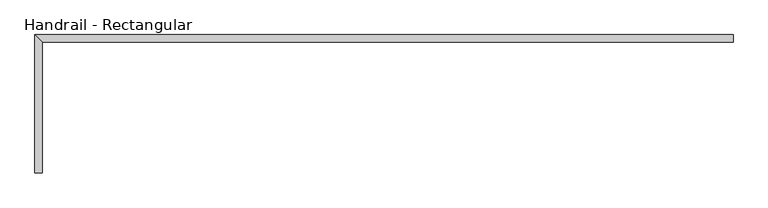
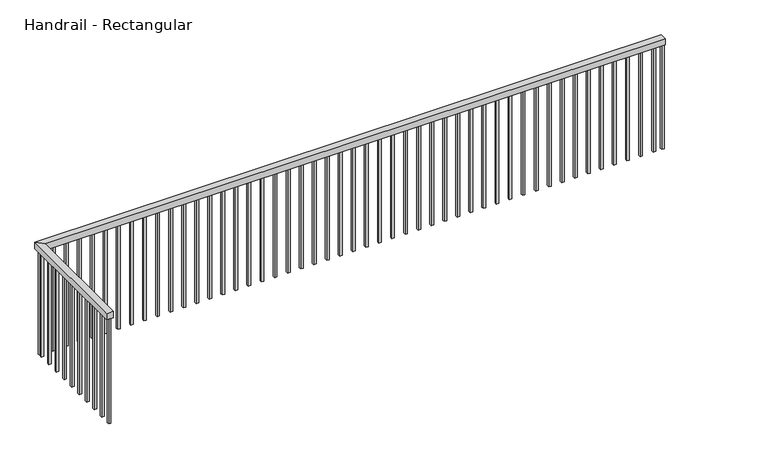
"""IFC4 building model written with IfcOpenShell, lengths in millimetres: railing geometry, Handrail - Rectangular."""

from ifc_helpers import new_model, si_unit, frame, origin, place, context, project, spatial, polyline, outline, extrude, faceted_brep, source, transform, mapped, element, save


def handrail_rectangular_c6c42858(model_context):
    return source(origin(), model_context, "Body", "SolidModel", [
        faceted_brep([(-15291.1582108, 4331.3192106, 3962.4), (-15341.9582108, 4331.3192106, 3962.4), (-15341.9582108, 4331.3192106, 3911.6), (-15291.1582108, 4331.3192106, 3911.6), (-15291.1582108, 5245.7192106, 3962.4), (-15341.9582108, 5296.5192106, 3962.4), (-15341.9582108, 5296.5192106, 3911.6), (-15291.1582108, 5245.7192106, 3911.6), (-10465.1582108, 5245.7192106, 3962.4), (-10465.1582108, 5245.7192106, 3911.6), (-10465.1582108, 5296.5192106, 3911.6), (-10465.1582108, 5296.5192106, 3962.4)], [[[0, 1, 2, 3]], [[1, 0, 4, 5]], [[2, 1, 5, 6]], [[3, 2, 6, 7]], [[0, 3, 7, 4]], [[8, 9, 10, 11]], [[5, 4, 8, 11]], [[6, 5, 11, 10]], [[7, 6, 10, 9]], [[4, 7, 9, 8]]]),
        extrude(outline(polyline([(-10550.8832108, 5261.5942106), (-10550.8832108, 5280.6442106), (-10531.8332108, 5280.6442106), (-10531.8332108, 5261.5942106), (-10550.8832108, 5261.5942106)])), frame((0.0, 0.0, 3048.0), z_axis=(0.0, 0.0, 1.0), x_axis=(1.0, 0.0, 0.0)), (0.0, 0.0, 1.0), 863.6),
        extrude(outline(polyline([(-10652.4832108, 5261.5942106), (-10652.4832108, 5280.6442106), (-10633.4332108, 5280.6442106), (-10633.4332108, 5261.5942106), (-10652.4832108, 5261.5942106)])), frame((0.0, 0.0, 3048.0), z_axis=(0.0, 0.0, 1.0), x_axis=(1.0, 0.0, 0.0)), (0.0, 0.0, 1.0), 863.6),
        extrude(outline(polyline([(-10754.0832108, 5261.5942106), (-10754.0832108, 5280.6442106), (-10735.0332108, 5280.6442106), (-10735.0332108, 5261.5942106), (-10754.0832108, 5261.5942106)])), frame((0.0, 0.0, 3048.0), z_axis=(0.0, 0.0, 1.0), x_axis=(1.0, 0.0, 0.0)), (0.0, 0.0, 1.0), 863.6),
        extrude(outline(polyline([(-10855.6832108, 5261.5942106), (-10855.6832108, 5280.6442106), (-10836.6332108, 5280.6442106), (-10836.6332108, 5261.5942106), (-10855.6832108, 5261.5942106)])), frame((0.0, 0.0, 3048.0), z_axis=(0.0, 0.0, 1.0), x_axis=(1.0, 0.0, 0.0)), (0.0, 0.0, 1.0), 863.6),
        extrude(outline(polyline([(-10957.2832108, 5261.5942106), (-10957.2832108, 5280.6442106), (-10938.2332108, 5280.6442106), (-10938.2332108, 5261.5942106), (-10957.2832108, 5261.5942106)])), frame((0.0, 0.0, 3048.0), z_axis=(0.0, 0.0, 1.0), x_axis=(1.0, 0.0, 0.0)), (0.0, 0.0, 1.0), 863.6),
        extrude(outline(polyline([(-11058.8832108, 5261.5942106), (-11058.8832108, 5280.6442106), (-11039.8332108, 5280.6442106), (-11039.8332108, 5261.5942106), (-11058.8832108, 5261.5942106)])), frame((0.0, 0.0, 3048.0), z_axis=(0.0, 0.0, 1.0), x_axis=(1.0, 0.0, 0.0)), (0.0, 0.0, 1.0), 863.6),
        extrude(outline(polyline([(-11160.4832108, 5261.5942106), (-11160.4832108, 5280.6442106), (-11141.4332108, 5280.6442106), (-11141.4332108, 5261.5942106), (-11160.4832108, 5261.5942106)])), frame((0.0, 0.0, 3048.0), z_axis=(0.0, 0.0, 1.0), x_axis=(1.0, 0.0, 0.0)), (0.0, 0.0, 1.0), 863.6),
        extrude(outline(polyline([(-11262.0832108, 5261.5942106), (-11262.0832108, 5280.6442106), (-11243.0332108, 5280.6442106), (-11243.0332108, 5261.5942106), (-11262.0832108, 5261.5942106)])), frame((0.0, 0.0, 3048.0), z_axis=(0.0, 0.0, 1.0), x_axis=(1.0, 0.0, 0.0)), (0.0, 0.0, 1.0), 863.6),
        extrude(outline(polyline([(-11363.6832108, 5261.5942106), (-11363.6832108, 5280.6442106), (-11344.6332108, 5280.6442106), (-11344.6332108, 5261.5942106), (-11363.6832108, 5261.5942106)])), frame((0.0, 0.0, 3048.0), z_axis=(0.0, 0.0, 1.0), x_axis=(1.0, 0.0, 0.0)), (0.0, 0.0, 1.0), 863.6),
        extrude(outline(polyline([(-11465.2832108, 5261.5942106), (-11465.2832108, 5280.6442106), (-11446.2332108, 5280.6442106), (-11446.2332108, 5261.5942106), (-11465.2832108, 5261.5942106)])), frame((0.0, 0.0, 3048.0), z_axis=(0.0, 0.0, 1.0), x_axis=(1.0, 0.0, 0.0)), (0.0, 0.0, 1.0), 863.6),
        extrude(outline(polyline([(-11566.8832108, 5261.5942106), (-11566.8832108, 5280.6442106), (-11547.8332108, 5280.6442106), (-11547.8332108, 5261.5942106), (-11566.8832108, 5261.5942106)])), frame((0.0, 0.0, 3048.0), z_axis=(0.0, 0.0, 1.0), x_axis=(1.0, 0.0, 0.0)), (0.0, 0.0, 1.0), 863.6),
        extrude(outline(polyline([(-11668.4832108, 5261.5942106), (-11668.4832108, 5280.6442106), (-11649.4332108, 5280.6442106), (-11649.4332108, 5261.5942106), (-11668.4832108, 5261.5942106)])), frame((0.0, 0.0, 3048.0), z_axis=(0.0, 0.0, 1.0), x_axis=(1.0, 0.0, 0.0)), (0.0, 0.0, 1.0), 863.6),
        extrude(outline(polyline([(-11770.0832108, 5261.5942106), (-11770.0832108, 5280.6442106), (-11751.0332108, 5280.6442106), (-11751.0332108, 5261.5942106), (-11770.0832108, 5261.5942106)])), frame((0.0, 0.0, 3048.0), z_axis=(0.0, 0.0, 1.0), x_axis=(1.0, 0.0, 0.0)), (0.0, 0.0, 1.0), 863.6),
        extrude(outline(polyline([(-11871.6832108, 5261.5942106), (-11871.6832108, 5280.6442106), (-11852.6332108, 5280.6442106), (-11852.6332108, 5261.5942106), (-11871.6832108, 5261.5942106)])), frame((0.0, 0.0, 3048.0), z_axis=(0.0, 0.0, 1.0), x_axis=(1.0, 0.0, 0.0)), (0.0, 0.0, 1.0), 863.6),
        extrude(outline(polyline([(-11973.2832108, 5261.5942106), (-11973.2832108, 5280.6442106), (-11954.2332108, 5280.6442106), (-11954.2332108, 5261.5942106), (-11973.2832108, 5261.5942106)])), frame((0.0, 0.0, 3048.0), z_axis=(0.0, 0.0, 1.0), x_axis=(1.0, 0.0, 0.0)), (0.0, 0.0, 1.0), 863.6),
        extrude(outline(polyline([(-12074.8832108, 5261.5942106), (-12074.8832108, 5280.6442106), (-12055.8332108, 5280.6442106), (-12055.8332108, 5261.5942106), (-12074.8832108, 5261.5942106)])), frame((0.0, 0.0, 3048.0), z_axis=(0.0, 0.0, 1.0), x_axis=(1.0, 0.0, 0.0)), (0.0, 0.0, 1.0), 863.6),
        extrude(outline(polyline([(-12176.4832108, 5261.5942106), (-12176.4832108, 5280.6442106), (-12157.4332108, 5280.6442106), (-12157.4332108, 5261.5942106), (-12176.4832108, 5261.5942106)])), frame((0.0, 0.0, 3048.0), z_axis=(0.0, 0.0, 1.0), x_axis=(1.0, 0.0, 0.0)), (0.0, 0.0, 1.0), 863.6),
        extrude(outline(polyline([(-12278.0832108, 5261.5942106), (-12278.0832108, 5280.6442106), (-12259.0332108, 5280.6442106), (-12259.0332108, 5261.5942106), (-12278.0832108, 5261.5942106)])), frame((0.0, 0.0, 3048.0), z_axis=(0.0, 0.0, 1.0), x_axis=(1.0, 0.0, 0.0)), (0.0, 0.0, 1.0), 863.6),
        extrude(outline(polyline([(-12379.6832108, 5261.5942106), (-12379.6832108, 5280.6442106), (-12360.6332108, 5280.6442106), (-12360.6332108, 5261.5942106), (-12379.6832108, 5261.5942106)])), frame((0.0, 0.0, 3048.0), z_axis=(0.0, 0.0, 1.0), x_axis=(1.0, 0.0, 0.0)), (0.0, 0.0, 1.0), 863.6),
        extrude(outline(polyline([(-12481.2832108, 5261.5942106), (-12481.2832108, 5280.6442106), (-12462.2332108, 5280.6442106), (-12462.2332108, 5261.5942106), (-12481.2832108, 5261.5942106)])), frame((0.0, 0.0, 3048.0), z_axis=(0.0, 0.0, 1.0), x_axis=(1.0, 0.0, 0.0)), (0.0, 0.0, 1.0), 863.6),
        extrude(outline(polyline([(-12582.8832108, 5261.5942106), (-12582.8832108, 5280.6442106), (-12563.8332108, 5280.6442106), (-12563.8332108, 5261.5942106), (-12582.8832108, 5261.5942106)])), frame((0.0, 0.0, 3048.0), z_axis=(0.0, 0.0, 1.0), x_axis=(1.0, 0.0, 0.0)), (0.0, 0.0, 1.0), 863.6),
        extrude(outline(polyline([(-12684.4832108, 5261.5942106), (-12684.4832108, 5280.6442106), (-12665.4332108, 5280.6442106), (-12665.4332108, 5261.5942106), (-12684.4832108, 5261.5942106)])), frame((0.0, 0.0, 3048.0), z_axis=(0.0, 0.0, 1.0), x_axis=(1.0, 0.0, 0.0)), (0.0, 0.0, 1.0), 863.6),
        extrude(outline(polyline([(-12786.0832108, 5261.5942106), (-12786.0832108, 5280.6442106), (-12767.0332108, 5280.6442106), (-12767.0332108, 5261.5942106), (-12786.0832108, 5261.5942106)])), frame((0.0, 0.0, 3048.0), z_axis=(0.0, 0.0, 1.0), x_axis=(1.0, 0.0, 0.0)), (0.0, 0.0, 1.0), 863.6),
        extrude(outline(polyline([(-12887.6832108, 5261.5942106), (-12887.6832108, 5280.6442106), (-12868.6332108, 5280.6442106), (-12868.6332108, 5261.5942106), (-12887.6832108, 5261.5942106)])), frame((0.0, 0.0, 3048.0), z_axis=(0.0, 0.0, 1.0), x_axis=(1.0, 0.0, 0.0)), (0.0, 0.0, 1.0), 863.6),
        extrude(outline(polyline([(-12989.2832108, 5261.5942106), (-12989.2832108, 5280.6442106), (-12970.2332108, 5280.6442106), (-12970.2332108, 5261.5942106), (-12989.2832108, 5261.5942106)])), frame((0.0, 0.0, 3048.0), z_axis=(0.0, 0.0, 1.0), x_axis=(1.0, 0.0, 0.0)), (0.0, 0.0, 1.0), 863.6),
        extrude(outline(polyline([(-13090.8832108, 5261.5942106), (-13090.8832108, 5280.6442106), (-13071.8332108, 5280.6442106), (-13071.8332108, 5261.5942106), (-13090.8832108, 5261.5942106)])), frame((0.0, 0.0, 3048.0), z_axis=(0.0, 0.0, 1.0), x_axis=(1.0, 0.0, 0.0)), (0.0, 0.0, 1.0), 863.6),
        extrude(outline(polyline([(-13192.4832108, 5261.5942106), (-13192.4832108, 5280.6442106), (-13173.4332108, 5280.6442106), (-13173.4332108, 5261.5942106), (-13192.4832108, 5261.5942106)])), frame((0.0, 0.0, 3048.0), z_axis=(0.0, 0.0, 1.0), x_axis=(1.0, 0.0, 0.0)), (0.0, 0.0, 1.0), 863.6),
        extrude(outline(polyline([(-13294.0832108, 5261.5942106), (-13294.0832108, 5280.6442106), (-13275.0332108, 5280.6442106), (-13275.0332108, 5261.5942106), (-13294.0832108, 5261.5942106)])), frame((0.0, 0.0, 3048.0), z_axis=(0.0, 0.0, 1.0), x_axis=(1.0, 0.0, 0.0)), (0.0, 0.0, 1.0), 863.6),
        extrude(outline(polyline([(-13395.6832108, 5261.5942106), (-13395.6832108, 5280.6442106), (-13376.6332108, 5280.6442106), (-13376.6332108, 5261.5942106), (-13395.6832108, 5261.5942106)])), frame((0.0, 0.0, 3048.0), z_axis=(0.0, 0.0, 1.0), x_axis=(1.0, 0.0, 0.0)), (0.0, 0.0, 1.0), 863.6),
        extrude(outline(polyline([(-13497.2832108, 5261.5942106), (-13497.2832108, 5280.6442106), (-13478.2332108, 5280.6442106), (-13478.2332108, 5261.5942106), (-13497.2832108, 5261.5942106)])), frame((0.0, 0.0, 3048.0), z_axis=(0.0, 0.0, 1.0), x_axis=(1.0, 0.0, 0.0)), (0.0, 0.0, 1.0), 863.6),
        extrude(outline(polyline([(-13598.8832108, 5261.5942106), (-13598.8832108, 5280.6442106), (-13579.8332108, 5280.6442106), (-13579.8332108, 5261.5942106), (-13598.8832108, 5261.5942106)])), frame((0.0, 0.0, 3048.0), z_axis=(0.0, 0.0, 1.0), x_axis=(1.0, 0.0, 0.0)), (0.0, 0.0, 1.0), 863.6),
        extrude(outline(polyline([(-13700.4832108, 5261.5942106), (-13700.4832108, 5280.6442106), (-13681.4332108, 5280.6442106), (-13681.4332108, 5261.5942106), (-13700.4832108, 5261.5942106)])), frame((0.0, 0.0, 3048.0), z_axis=(0.0, 0.0, 1.0), x_axis=(1.0, 0.0, 0.0)), (0.0, 0.0, 1.0), 863.6),
        extrude(outline(polyline([(-13802.0832108, 5261.5942106), (-13802.0832108, 5280.6442106), (-13783.0332108, 5280.6442106), (-13783.0332108, 5261.5942106), (-13802.0832108, 5261.5942106)])), frame((0.0, 0.0, 3048.0), z_axis=(0.0, 0.0, 1.0), x_axis=(1.0, 0.0, 0.0)), (0.0, 0.0, 1.0), 863.6),
        extrude(outline(polyline([(-13903.6832108, 5261.5942106), (-13903.6832108, 5280.6442106), (-13884.6332108, 5280.6442106), (-13884.6332108, 5261.5942106), (-13903.6832108, 5261.5942106)])), frame((0.0, 0.0, 3048.0), z_axis=(0.0, 0.0, 1.0), x_axis=(1.0, 0.0, 0.0)), (0.0, 0.0, 1.0), 863.6),
        extrude(outline(polyline([(-14005.2832108, 5261.5942106), (-14005.2832108, 5280.6442106), (-13986.2332108, 5280.6442106), (-13986.2332108, 5261.5942106), (-14005.2832108, 5261.5942106)])), frame((0.0, 0.0, 3048.0), z_axis=(0.0, 0.0, 1.0), x_axis=(1.0, 0.0, 0.0)), (0.0, 0.0, 1.0), 863.6),
        extrude(outline(polyline([(-14106.8832108, 5261.5942106), (-14106.8832108, 5280.6442106), (-14087.8332108, 5280.6442106), (-14087.8332108, 5261.5942106), (-14106.8832108, 5261.5942106)])), frame((0.0, 0.0, 3048.0), z_axis=(0.0, 0.0, 1.0), x_axis=(1.0, 0.0, 0.0)), (0.0, 0.0, 1.0), 863.6),
        extrude(outline(polyline([(-14208.4832108, 5261.5942106), (-14208.4832108, 5280.6442106), (-14189.4332108, 5280.6442106), (-14189.4332108, 5261.5942106), (-14208.4832108, 5261.5942106)])), frame((0.0, 0.0, 3048.0), z_axis=(0.0, 0.0, 1.0), x_axis=(1.0, 0.0, 0.0)), (0.0, 0.0, 1.0), 863.6),
        extrude(outline(polyline([(-14310.0832108, 5261.5942106), (-14310.0832108, 5280.6442106), (-14291.0332108, 5280.6442106), (-14291.0332108, 5261.5942106), (-14310.0832108, 5261.5942106)])), frame((0.0, 0.0, 3048.0), z_axis=(0.0, 0.0, 1.0), x_axis=(1.0, 0.0, 0.0)), (0.0, 0.0, 1.0), 863.6),
        extrude(outline(polyline([(-14411.6832108, 5261.5942106), (-14411.6832108, 5280.6442106), (-14392.6332108, 5280.6442106), (-14392.6332108, 5261.5942106), (-14411.6832108, 5261.5942106)])), frame((0.0, 0.0, 3048.0), z_axis=(0.0, 0.0, 1.0), x_axis=(1.0, 0.0, 0.0)), (0.0, 0.0, 1.0), 863.6),
        extrude(outline(polyline([(-14513.2832108, 5261.5942106), (-14513.2832108, 5280.6442106), (-14494.2332108, 5280.6442106), (-14494.2332108, 5261.5942106), (-14513.2832108, 5261.5942106)])), frame((0.0, 0.0, 3048.0), z_axis=(0.0, 0.0, 1.0), x_axis=(1.0, 0.0, 0.0)), (0.0, 0.0, 1.0), 863.6),
        extrude(outline(polyline([(-14614.8832108, 5261.5942106), (-14614.8832108, 5280.6442106), (-14595.8332108, 5280.6442106), (-14595.8332108, 5261.5942106), (-14614.8832108, 5261.5942106)])), frame((0.0, 0.0, 3048.0), z_axis=(0.0, 0.0, 1.0), x_axis=(1.0, 0.0, 0.0)), (0.0, 0.0, 1.0), 863.6),
        extrude(outline(polyline([(-14716.4832108, 5261.5942106), (-14716.4832108, 5280.6442106), (-14697.4332108, 5280.6442106), (-14697.4332108, 5261.5942106), (-14716.4832108, 5261.5942106)])), frame((0.0, 0.0, 3048.0), z_axis=(0.0, 0.0, 1.0), x_axis=(1.0, 0.0, 0.0)), (0.0, 0.0, 1.0), 863.6),
        extrude(outline(polyline([(-14818.0832108, 5261.5942106), (-14818.0832108, 5280.6442106), (-14799.0332108, 5280.6442106), (-14799.0332108, 5261.5942106), (-14818.0832108, 5261.5942106)])), frame((0.0, 0.0, 3048.0), z_axis=(0.0, 0.0, 1.0), x_axis=(1.0, 0.0, 0.0)), (0.0, 0.0, 1.0), 863.6),
        extrude(outline(polyline([(-14919.6832108, 5261.5942106), (-14919.6832108, 5280.6442106), (-14900.6332108, 5280.6442106), (-14900.6332108, 5261.5942106), (-14919.6832108, 5261.5942106)])), frame((0.0, 0.0, 3048.0), z_axis=(0.0, 0.0, 1.0), x_axis=(1.0, 0.0, 0.0)), (0.0, 0.0, 1.0), 863.6),
        extrude(outline(polyline([(-15021.2832108, 5261.5942106), (-15021.2832108, 5280.6442106), (-15002.2332108, 5280.6442106), (-15002.2332108, 5261.5942106), (-15021.2832108, 5261.5942106)])), frame((0.0, 0.0, 3048.0), z_axis=(0.0, 0.0, 1.0), x_axis=(1.0, 0.0, 0.0)), (0.0, 0.0, 1.0), 863.6),
        extrude(outline(polyline([(-15122.8832108, 5261.5942106), (-15122.8832108, 5280.6442106), (-15103.8332108, 5280.6442106), (-15103.8332108, 5261.5942106), (-15122.8832108, 5261.5942106)])), frame((0.0, 0.0, 3048.0), z_axis=(0.0, 0.0, 1.0), x_axis=(1.0, 0.0, 0.0)), (0.0, 0.0, 1.0), 863.6),
        extrude(outline(polyline([(-15224.4832108, 5261.5942106), (-15224.4832108, 5280.6442106), (-15205.4332108, 5280.6442106), (-15205.4332108, 5261.5942106), (-15224.4832108, 5261.5942106)])), frame((0.0, 0.0, 3048.0), z_axis=(0.0, 0.0, 1.0), x_axis=(1.0, 0.0, 0.0)), (0.0, 0.0, 1.0), 863.6),
        extrude(outline(polyline([(-15307.0332108, 5236.1942106), (-15326.0832108, 5236.1942106), (-15326.0832108, 5255.2442106), (-15307.0332108, 5255.2442106), (-15307.0332108, 5236.1942106)])), frame((0.0, 0.0, 3048.0), z_axis=(0.0, 0.0, 1.0), x_axis=(1.0, 0.0, 0.0)), (0.0, 0.0, 1.0), 863.6),
        extrude(outline(polyline([(-15307.0332108, 5134.5942106), (-15326.0832108, 5134.5942106), (-15326.0832108, 5153.6442106), (-15307.0332108, 5153.6442106), (-15307.0332108, 5134.5942106)])), frame((0.0, 0.0, 3048.0), z_axis=(0.0, 0.0, 1.0), x_axis=(1.0, 0.0, 0.0)), (0.0, 0.0, 1.0), 863.6),
        extrude(outline(polyline([(-15307.0332108, 5032.9942106), (-15326.0832108, 5032.9942106), (-15326.0832108, 5052.0442106), (-15307.0332108, 5052.0442106), (-15307.0332108, 5032.9942106)])), frame((0.0, 0.0, 3048.0), z_axis=(0.0, 0.0, 1.0), x_axis=(1.0, 0.0, 0.0)), (0.0, 0.0, 1.0), 863.6),
        extrude(outline(polyline([(-15307.0332108, 4931.3942106), (-15326.0832108, 4931.3942106), (-15326.0832108, 4950.4442106), (-15307.0332108, 4950.4442106), (-15307.0332108, 4931.3942106)])), frame((0.0, 0.0, 3048.0), z_axis=(0.0, 0.0, 1.0), x_axis=(1.0, 0.0, 0.0)), (0.0, 0.0, 1.0), 863.6),
        extrude(outline(polyline([(-15307.0332108, 4829.7942106), (-15326.0832108, 4829.7942106), (-15326.0832108, 4848.8442106), (-15307.0332108, 4848.8442106), (-15307.0332108, 4829.7942106)])), frame((0.0, 0.0, 3048.0), z_axis=(0.0, 0.0, 1.0), x_axis=(1.0, 0.0, 0.0)), (0.0, 0.0, 1.0), 863.6),
        extrude(outline(polyline([(-15307.0332108, 4728.1942106), (-15326.0832108, 4728.1942106), (-15326.0832108, 4747.2442106), (-15307.0332108, 4747.2442106), (-15307.0332108, 4728.1942106)])), frame((0.0, 0.0, 3048.0), z_axis=(0.0, 0.0, 1.0), x_axis=(1.0, 0.0, 0.0)), (0.0, 0.0, 1.0), 863.6),
        extrude(outline(polyline([(-15307.0332108, 4626.5942106), (-15326.0832108, 4626.5942106), (-15326.0832108, 4645.6442106), (-15307.0332108, 4645.6442106), (-15307.0332108, 4626.5942106)])), frame((0.0, 0.0, 3048.0), z_axis=(0.0, 0.0, 1.0), x_axis=(1.0, 0.0, 0.0)), (0.0, 0.0, 1.0), 863.6),
        extrude(outline(polyline([(-15307.0332108, 4524.9942106), (-15326.0832108, 4524.9942106), (-15326.0832108, 4544.0442106), (-15307.0332108, 4544.0442106), (-15307.0332108, 4524.9942106)])), frame((0.0, 0.0, 3048.0), z_axis=(0.0, 0.0, 1.0), x_axis=(1.0, 0.0, 0.0)), (0.0, 0.0, 1.0), 863.6),
        extrude(outline(polyline([(-15307.0332108, 4423.3942106), (-15326.0832108, 4423.3942106), (-15326.0832108, 4442.4442106), (-15307.0332108, 4442.4442106), (-15307.0332108, 4423.3942106)])), frame((0.0, 0.0, 3048.0), z_axis=(0.0, 0.0, 1.0), x_axis=(1.0, 0.0, 0.0)), (0.0, 0.0, 1.0), 863.6),
        extrude(outline(polyline([(-15307.0332108, 5261.5942106), (-15326.0832108, 5261.5942106), (-15326.0832108, 5280.6442106), (-15307.0332108, 5280.6442106), (-15307.0332108, 5261.5942106)])), frame((0.0, 0.0, 3048.0), z_axis=(0.0, 0.0, 1.0), x_axis=(1.0, 0.0, 0.0)), (0.0, 0.0, 1.0), 863.6),
        extrude(outline(polyline([(-10484.2082108, 5261.5942106), (-10484.2082108, 5280.6442106), (-10465.1582108, 5280.6442106), (-10465.1582108, 5261.5942106), (-10484.2082108, 5261.5942106)])), frame((0.0, 0.0, 3048.0), z_axis=(0.0, 0.0, 1.0), x_axis=(1.0, 0.0, 0.0)), (0.0, 0.0, 1.0), 863.6),
        extrude(outline(polyline([(-15307.0332108, 4331.3192106), (-15326.0832108, 4331.3192106), (-15326.0832108, 4350.3692106), (-15307.0332108, 4350.3692106), (-15307.0332108, 4331.3192106)])), frame((0.0, 0.0, 3048.0), z_axis=(0.0, 0.0, 1.0), x_axis=(1.0, 0.0, 0.0)), (0.0, 0.0, 1.0), 863.6),
    ])


if __name__ == "__main__":
    model = new_model("IFC4")
    model_context = context("Model", 3, world=origin())
    ifc_project = project(units=[si_unit("LENGTHUNIT", "METRE", prefix="MILLI")], contexts=[model_context])
    site = spatial("IfcSite", under=ifc_project)
    building = spatial("IfcBuilding", under=site)
    placement = place(None, origin())
    handrail_rectangular_shape = handrail_rectangular_c6c42858(model_context)
    element("IfcRailing", 1, ObjectType="Handrail - Rectangular", at=placement, inside=building, context=model_context, shape_type="MappedRepresentation", body=[
        mapped(handrail_rectangular_shape, transform((0.0, 0.0, 0.0), x_axis=(1.0, 0.0, 0.0), y_axis=(0.0, 1.0, 0.0), z_axis=(0.0, 0.0, 1.0))),
    ])
    save(model, "model.ifc")
